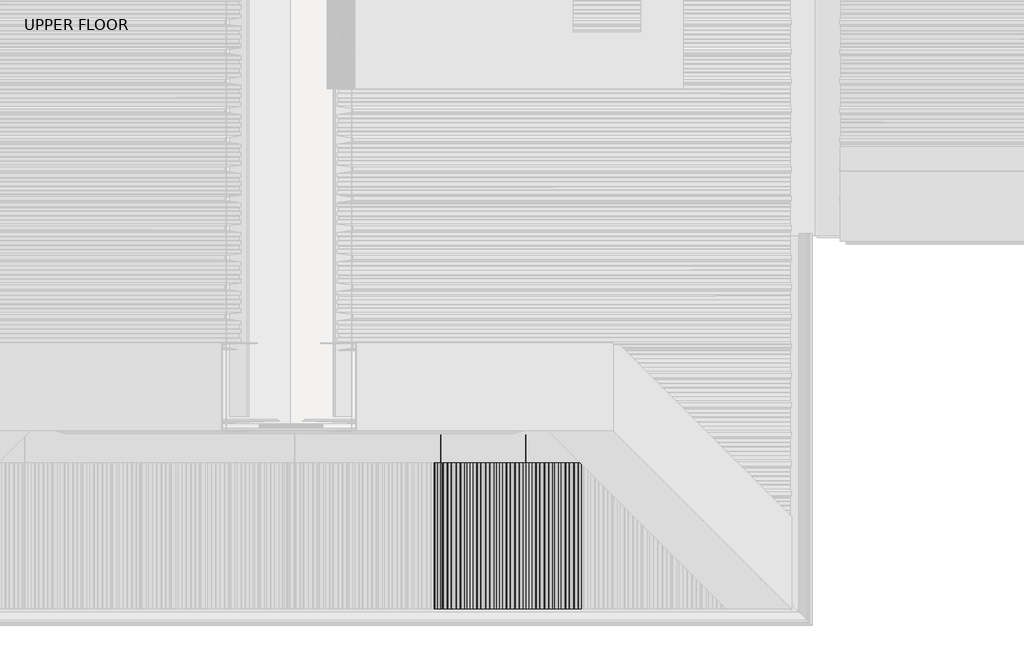
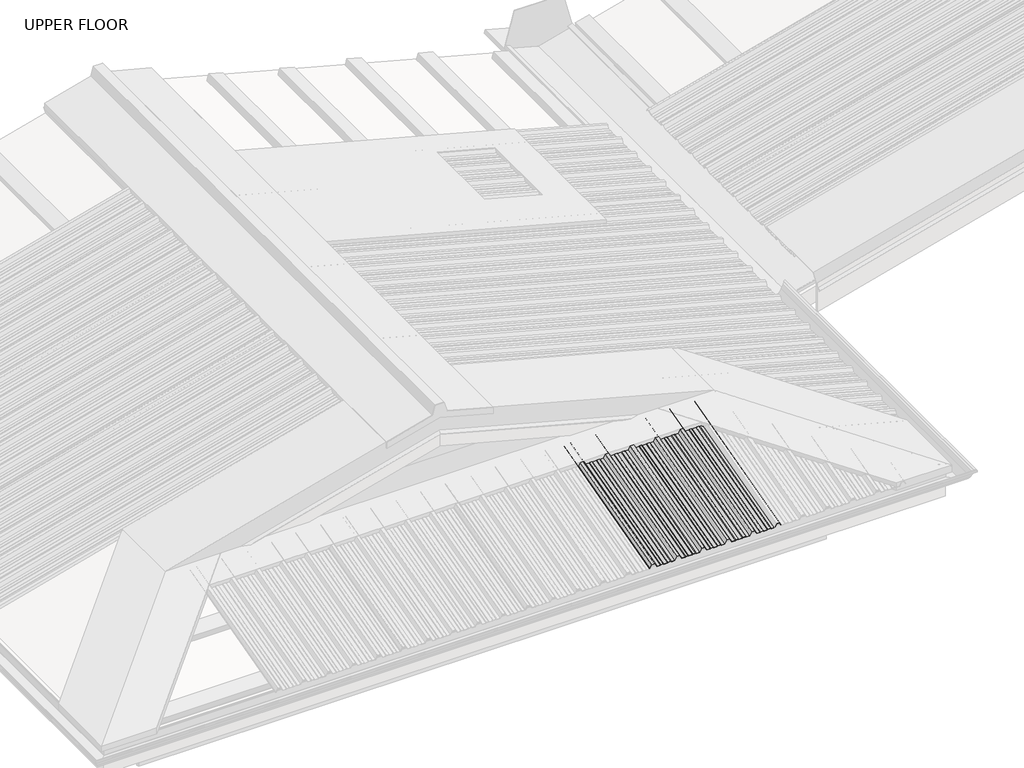
# One storey, part 9 of 21: 1 beam.
"""IFC4 building model written with IfcOpenShell, lengths in millimetres."""

from ifc_helpers import new_model, si_unit, frame, origin, place, context, project, spatial, circle_curve, ellipse_curve, element, save
from ifc_brep_helpers import plane_surface, cylinder_surface, advanced_brep

model = new_model("IFC4")

# Units and contexts
model_context = context("Model", 3, world=origin())
ifc_project = project(units=[si_unit("LENGTHUNIT", "METRE", prefix="MILLI")], contexts=[model_context])

# Site, building, storey
site = spatial("IfcSite", under=ifc_project)
building = spatial("IfcBuilding", under=site)
storey = spatial("IfcBuildingStorey", under=building, Name="UPPER FLOOR", Elevation=2700.0)

# Beam
placement = place(None, origin())
element("IfcBeam", 1, at=placement, inside=storey, context=model_context, shape_type="AdvancedBrep", body=[
    advanced_brep(
    [(3492.6640548, -3759.2956776, 3511.9124823), (3488.5374528, -3759.8133157, 3513.844334), (3470.9306177, -3759.8133157, 3513.844334), (3467.6664536, -3759.2956776, 3511.9124823), (3445.3794454, -3759.2956776, 3511.9124823), (3442.3379869, -3759.8133157, 3513.844334), (3426.6721831, -3759.8133157, 3513.844334), (3423.6285412, -3759.2956776, 3511.9124823), (3403.3061027, -3759.2956776, 3511.9124823), (3391.3207469, -3764.7308776, 3532.1969247), (3372.3195276, -3764.7308776, 3532.1969247), (3360.3061027, -3759.2956776, 3511.9124823), (3340.6640548, -3759.2956776, 3511.9124823), (3336.5374528, -3759.8133157, 3513.844334), (3318.9306177, -3759.8133157, 3513.844334), (3315.6664536, -3759.2956776, 3511.9124823), (3293.3794454, -3759.2956776, 3511.9124823), (3290.3379869, -3759.8133157, 3513.844334), (3274.6721831, -3759.8133157, 3513.844334), (3271.6285412, -3759.2956776, 3511.9124823), (3251.3061027, -3759.2956776, 3511.9124823), (3239.3207469, -3764.7308776, 3532.1969247), (3220.3195276, -3764.7308776, 3532.1969247), (3208.3061027, -3759.2956776, 3511.9124823), (3188.6640548, -3759.2956776, 3511.9124823), (3184.5374528, -3759.8133157, 3513.844334), (3166.9306177, -3759.8133157, 3513.844334), (3163.6664536, -3759.2956776, 3511.9124823), (3141.3794454, -3759.2956776, 3511.9124823), (3138.3379869, -3759.8133157, 3513.844334), (3122.6721831, -3759.8133157, 3513.844334), (3119.6285412, -3759.2956776, 3511.9124823), (3099.3061027, -3759.2956776, 3511.9124823), (3087.3207469, -3764.7308776, 3532.1969247), (3068.3195276, -3764.7308776, 3532.1969247), (3056.3061027, -3759.2956776, 3511.9124823), (3036.6640548, -3759.2956776, 3511.9124823), (3032.5374528, -3759.8133157, 3513.844334), (3014.9306177, -3759.8133157, 3513.844334), (3011.6664536, -3759.2956776, 3511.9124823), (2989.3794454, -3759.2956776, 3511.9124823), (2986.3379869, -3759.8133157, 3513.844334), (2970.6721831, -3759.8133157, 3513.844334), (2967.6285412, -3759.2956776, 3511.9124823), (2947.3061027, -3759.2956776, 3511.9124823), (2935.3207469, -3764.7308776, 3532.1969247), (2916.3195276, -3764.7308776, 3532.1969247), (2904.3061027, -3759.2956776, 3511.9124823), (2884.6640548, -3759.2956776, 3511.9124823), (2880.5374528, -3759.8133157, 3513.844334), (2862.9306177, -3759.8133157, 3513.844334), (2859.6664536, -3759.2956776, 3511.9124823), (2837.3794454, -3759.2956776, 3511.9124823), (2834.3379869, -3759.8133157, 3513.844334), (2818.6721831, -3759.8133157, 3513.844334), (2815.6285412, -3759.2956776, 3511.9124823), (2795.3061027, -3759.2956776, 3511.9124823), (2783.3207469, -3764.7308776, 3532.1969247), (2764.3195276, -3764.7308776, 3532.1969247), (2753.4502384, -3759.8133157, 3513.844334), (2750.0147087, -3759.8133157, 3513.844334), (2750.0147087, -3760.0721348, 3514.8102598), (2752.9508481, -3760.0721348, 3514.8102598), (2763.8201372, -3764.9896966, 3533.1628505), (2783.8201372, -3764.9896966, 3533.1628505), (2795.8054931, -3759.5544967, 3512.8784082), (2815.3293902, -3759.5544967, 3512.8784082), (2818.3730321, -3760.0721348, 3514.8102598), (2834.6373174, -3760.0721348, 3514.8102598), (2837.6787759, -3759.5544967, 3512.8784082), (2859.3844584, -3759.5544967, 3512.8784082), (2862.6486224, -3760.0721348, 3514.8102598), (2880.7670127, -3760.0721348, 3514.8102598), (2884.8936147, -3759.5544967, 3512.8784082), (2903.8067123, -3759.5544967, 3512.8784082), (2915.8201372, -3764.9896966, 3533.1628505), (2935.8201372, -3764.9896966, 3533.1628505), (2947.8054931, -3759.5544967, 3512.8784082), (2967.3293902, -3759.5544967, 3512.8784082), (2970.3730321, -3760.0721348, 3514.8102598), (2986.6373174, -3760.0721348, 3514.8102598), (2989.6787759, -3759.5544967, 3512.8784082), (3011.3844584, -3759.5544967, 3512.8784082), (3014.6486224, -3760.0721348, 3514.8102598), (3032.7670127, -3760.0721348, 3514.8102598), (3036.8936147, -3759.5544967, 3512.8784082), (3055.8067123, -3759.5544967, 3512.8784082), (3067.8201372, -3764.9896966, 3533.1628505), (3087.8201372, -3764.9896966, 3533.1628505), (3099.8054931, -3759.5544967, 3512.8784082), (3119.3293902, -3759.5544967, 3512.8784082), (3122.3730321, -3760.0721348, 3514.8102598), (3138.6373174, -3760.0721348, 3514.8102598), (3141.6787759, -3759.5544967, 3512.8784082), (3163.3844584, -3759.5544967, 3512.8784082), (3166.6486224, -3760.0721348, 3514.8102598), (3184.7670127, -3760.0721348, 3514.8102598), (3188.8936147, -3759.5544967, 3512.8784082), (3207.8067123, -3759.5544967, 3512.8784082), (3219.8201372, -3764.9896966, 3533.1628505), (3239.8201372, -3764.9896966, 3533.1628505), (3251.8054931, -3759.5544967, 3512.8784082), (3271.3293902, -3759.5544967, 3512.8784082), (3274.3730321, -3760.0721348, 3514.8102598), (3290.6373174, -3760.0721348, 3514.8102598), (3293.6787759, -3759.5544967, 3512.8784082), (3315.3844584, -3759.5544967, 3512.8784082), (3318.6486224, -3760.0721348, 3514.8102598), (3336.7670127, -3760.0721348, 3514.8102598), (3340.8936147, -3759.5544967, 3512.8784082), (3359.8067123, -3759.5544967, 3512.8784082), (3371.8201372, -3764.9896966, 3533.1628505), (3391.8201372, -3764.9896966, 3533.1628505), (3403.8054931, -3759.5544967, 3512.8784082), (3423.3293902, -3759.5544967, 3512.8784082), (3426.3730321, -3760.0721348, 3514.8102598), (3442.6373174, -3760.0721348, 3514.8102598), (3445.6787759, -3759.5544967, 3512.8784082), (3467.3844584, -3759.5544967, 3512.8784082), (3470.6486224, -3760.0721348, 3514.8102598), (3488.7670127, -3760.0721348, 3514.8102598), (3492.8936147, -3759.5544967, 3512.8784082), (3514.1108492, -3759.5544967, 3512.8784082), (3524.9801384, -3764.4720586, 3531.2309989), (3542.6587891, -3764.4720586, 3531.2309989), (3550.651034, -3760.8476815, 3517.7046396), (3549.8438422, -3760.7284463, 3517.2596477), (3542.1593987, -3764.2132395, 3530.265073), (3525.4795288, -3764.2132395, 3530.265073), (3514.6102396, -3759.2956776, 3511.9124823), (3488.5374528, -4660.4975954, 3272.5067086), (3470.9306177, -4660.4975954, 3272.5067086), (3467.6664536, -4660.4975954, 3270.4361563), (3445.3794454, -4660.4975954, 3270.4361563), (3442.3379869, -4660.4975954, 3272.5067086), (3426.6721831, -4660.4975954, 3272.5067086), (3423.6285412, -4660.4975954, 3270.4361563), (3403.3061027, -4660.4975954, 3270.4361563), (3391.3207469, -4660.4975954, 3292.176956), (3372.3195276, -4660.4975954, 3292.176956), (3360.3061027, -4660.4975954, 3270.4361563), (3340.6640548, -4660.4975954, 3270.4361563), (3336.5374528, -4660.4975954, 3272.5067086), (3318.9306177, -4660.4975954, 3272.5067086), (3315.6664536, -4660.4975954, 3270.4361563), (3293.3794454, -4660.4975954, 3270.4361563), (3290.3379869, -4660.4975954, 3272.5067086), (3274.6721831, -4660.4975954, 3272.5067086), (3271.6285412, -4660.4975954, 3270.4361563), (3251.3061027, -4660.4975954, 3270.4361563), (3239.3207469, -4660.4975954, 3292.176956), (3220.3195276, -4660.4975954, 3292.176956), (3208.3061027, -4660.4975954, 3270.4361563), (3188.6640548, -4660.4975954, 3270.4361563), (3184.5374528, -4660.4975954, 3272.5067086), (3166.9306177, -4660.4975954, 3272.5067086), (3163.6664536, -4660.4975954, 3270.4361563), (3141.3794454, -4660.4975954, 3270.4361563), (3138.3379869, -4660.4975954, 3272.5067086), (3122.6721831, -4660.4975954, 3272.5067086), (3119.6285412, -4660.4975954, 3270.4361563), (3099.3061027, -4660.4975954, 3270.4361563), (3087.3207469, -4660.4975954, 3292.176956), (3068.3195276, -4660.4975954, 3292.176956), (3056.3061027, -4660.4975954, 3270.4361563), (3036.6640548, -4660.4975954, 3270.4361563), (3032.5374528, -4660.4975954, 3272.5067086), (3014.9306177, -4660.4975954, 3272.5067086), (3011.6664536, -4660.4975954, 3270.4361563), (2989.3794454, -4660.4975954, 3270.4361563), (2986.3379869, -4660.4975954, 3272.5067086), (2970.6721831, -4660.4975954, 3272.5067086), (2967.6285412, -4660.4975954, 3270.4361563), (2947.3061027, -4660.4975954, 3270.4361563), (2935.3207469, -4660.4975954, 3292.176956), (2916.3195276, -4660.4975954, 3292.176956), (2904.3061027, -4660.4975954, 3270.4361563), (2884.6640548, -4660.4975954, 3270.4361563), (2880.5374528, -4660.4975954, 3272.5067086), (2862.9306177, -4660.4975954, 3272.5067086), (2859.6664536, -4660.4975954, 3270.4361563), (2837.3794454, -4660.4975954, 3270.4361563), (2834.3379869, -4660.4975954, 3272.5067086), (2818.6721831, -4660.4975954, 3272.5067086), (2815.6285412, -4660.4975954, 3270.4361563), (2795.3061027, -4660.4975954, 3270.4361563), (2783.3207469, -4660.4975954, 3292.176956), (2764.3195276, -4660.4975954, 3292.176956), (2753.4502384, -4660.4975954, 3272.5067086), (2750.0147087, -4660.4975954, 3272.5067086), (2750.0147087, -4660.4975954, 3273.5419848), (2752.9508481, -4660.4975954, 3273.5419848), (2763.8201372, -4660.4975954, 3293.2122322), (2783.8201372, -4660.4975954, 3293.2122322), (2795.8054931, -4660.4975954, 3271.4714324), (2815.3293902, -4660.4975954, 3271.4714324), (2818.3730321, -4660.4975954, 3273.5419848), (2834.6373174, -4660.4975954, 3273.5419848), (2837.6787759, -4660.4975954, 3271.4714324), (2859.3844584, -4660.4975954, 3271.4714324), (2862.6486224, -4660.4975954, 3273.5419848), (2880.7670127, -4660.4975954, 3273.5419848), (2884.8936147, -4660.4975954, 3271.4714324), (2903.8067123, -4660.4975954, 3271.4714324), (2915.8201372, -4660.4975954, 3293.2122322), (2935.8201372, -4660.4975954, 3293.2122322), (2947.8054931, -4660.4975954, 3271.4714324), (2967.3293902, -4660.4975954, 3271.4714324), (2970.3730321, -4660.4975954, 3273.5419848), (2986.6373174, -4660.4975954, 3273.5419848), (2989.6787759, -4660.4975954, 3271.4714324), (3011.3844584, -4660.4975954, 3271.4714324), (3014.6486224, -4660.4975954, 3273.5419848), (3032.7670127, -4660.4975954, 3273.5419848), (3036.8936147, -4660.4975954, 3271.4714324), (3055.8067123, -4660.4975954, 3271.4714324), (3067.8201372, -4660.4975954, 3293.2122322), (3087.8201372, -4660.4975954, 3293.2122322), (3099.8054931, -4660.4975954, 3271.4714324), (3119.3293902, -4660.4975954, 3271.4714324), (3122.3730321, -4660.4975954, 3273.5419848), (3138.6373174, -4660.4975954, 3273.5419848), (3141.6787759, -4660.4975954, 3271.4714324), (3163.3844584, -4660.4975954, 3271.4714324), (3166.6486224, -4660.4975954, 3273.5419848), (3184.7670127, -4660.4975954, 3273.5419848), (3188.8936147, -4660.4975954, 3271.4714324), (3207.8067123, -4660.4975954, 3271.4714324), (3219.8201372, -4660.4975954, 3293.2122322), (3239.8201372, -4660.4975954, 3293.2122322), (3251.8054931, -4660.4975954, 3271.4714324), (3271.3293902, -4660.4975954, 3271.4714324), (3274.3730321, -4660.4975954, 3273.5419848), (3290.6373174, -4660.4975954, 3273.5419848), (3293.6787759, -4660.4975954, 3271.4714324), (3315.3844584, -4660.4975954, 3271.4714324), (3318.6486224, -4660.4975954, 3273.5419848), (3336.7670127, -4660.4975954, 3273.5419848), (3340.8936147, -4660.4975954, 3271.4714324), (3359.8067123, -4660.4975954, 3271.4714324), (3371.8201372, -4660.4975954, 3293.2122322), (3391.8201372, -4660.4975954, 3293.2122322), (3403.8054931, -4660.4975954, 3271.4714324), (3423.3293902, -4660.4975954, 3271.4714324), (3492.6640548, -4660.4975954, 3270.4361563), (3426.3730321, -4660.4975954, 3273.5419848), (3442.6373174, -4660.4975954, 3273.5419848), (3445.6787759, -4660.4975954, 3271.4714324), (3467.3844584, -4660.4975954, 3271.4714324), (3470.6486224, -4660.4975954, 3273.5419848), (3488.7670127, -4660.4975954, 3273.5419848), (3492.8936147, -4660.4975954, 3271.4714324), (3514.1108492, -4660.4975954, 3271.4714324), (3524.9801384, -4660.4975954, 3291.1416799), (3542.6587891, -4660.4975954, 3291.1416799), (3550.651034, -4660.4975954, 3276.6441717), (3549.8438422, -4660.4975954, 3276.1672308), (3542.1593987, -4660.4975954, 3290.1064037), (3525.4795288, -4660.4975954, 3290.1064037), (3514.6102396, -4660.4975954, 3270.4361563)],
    [
        (0, 1),
        (1, 2),
        (2, 3),
        (3, 4),
        (4, 5),
        (5, 6),
        (6, 7),
        (7, 8),
        (8, 9),
        (9, 10),
        (10, 11),
        (11, 12),
        (12, 13),
        (13, 14),
        (14, 15),
        (15, 16),
        (16, 17),
        (17, 18),
        (18, 19),
        (19, 20),
        (20, 21),
        (21, 22),
        (22, 23),
        (23, 24),
        (24, 25),
        (25, 26),
        (26, 27),
        (27, 28),
        (28, 29),
        (29, 30),
        (30, 31),
        (31, 32),
        (32, 33),
        (33, 34),
        (34, 35),
        (35, 36),
        (36, 37),
        (37, 38),
        (38, 39),
        (39, 40),
        (40, 41),
        (41, 42),
        (42, 43),
        (43, 44),
        (44, 45),
        (45, 46),
        (46, 47),
        (47, 48),
        (48, 49),
        (49, 50),
        (50, 51),
        (51, 52),
        (52, 53),
        (53, 54),
        (54, 55),
        (55, 56),
        (56, 57),
        (57, 58),
        (58, 59),
        (59, 60),
        (60, 61, circle_curve(frame((2750.0147087, -3759.9427253, 3514.3272969), z_axis=(0.0, 0.9659258262890683, 0.2588190451025206), x_axis=(-1.0000000000000002, 0.0, 0.0)), 0.5)),
        (61, 62),
        (62, 63),
        (63, 64),
        (64, 65),
        (65, 66),
        (66, 67),
        (67, 68),
        (68, 69),
        (69, 70),
        (70, 71),
        (71, 72),
        (72, 73),
        (73, 74),
        (74, 75),
        (75, 76),
        (76, 77),
        (77, 78),
        (78, 79),
        (79, 80),
        (80, 81),
        (81, 82),
        (82, 83),
        (83, 84),
        (84, 85),
        (85, 86),
        (86, 87),
        (87, 88),
        (88, 89),
        (89, 90),
        (90, 91),
        (91, 92),
        (92, 93),
        (93, 94),
        (94, 95),
        (95, 96),
        (96, 97),
        (97, 98),
        (98, 99),
        (99, 100),
        (100, 101),
        (101, 102),
        (102, 103),
        (103, 104),
        (104, 105),
        (105, 106),
        (106, 107),
        (107, 108),
        (108, 109),
        (109, 110),
        (110, 111),
        (111, 112),
        (112, 113),
        (113, 114),
        (114, 115),
        (115, 116),
        (116, 117),
        (117, 118),
        (118, 119),
        (119, 120),
        (120, 121),
        (121, 122),
        (122, 123),
        (123, 124),
        (124, 125),
        (125, 126, circle_curve(frame((3550.2474381, -3760.7880639, 3517.4821437), z_axis=(0.0, 0.9659258262890683, 0.2588190451025206), x_axis=(-1.0000000000000002, 0.0, 0.0)), 0.4647024)),
        (126, 127),
        (127, 128),
        (128, 129),
        (129, 0),
        (1, 130),
        (130, 131),
        (131, 2),
        (131, 132),
        (132, 3),
        (132, 133),
        (133, 4),
        (133, 134),
        (134, 5),
        (134, 135),
        (135, 6),
        (135, 136),
        (136, 7),
        (136, 137),
        (137, 8),
        (137, 138),
        (138, 9),
        (138, 139),
        (139, 10),
        (139, 140),
        (140, 11),
        (140, 141),
        (141, 12),
        (141, 142),
        (142, 13),
        (142, 143),
        (143, 14),
        (143, 144),
        (144, 15),
        (144, 145),
        (145, 16),
        (145, 146),
        (146, 17),
        (146, 147),
        (147, 18),
        (147, 148),
        (148, 19),
        (148, 149),
        (149, 20),
        (149, 150),
        (150, 21),
        (150, 151),
        (151, 22),
        (151, 152),
        (152, 23),
        (152, 153),
        (153, 24),
        (153, 154),
        (154, 25),
        (154, 155),
        (155, 26),
        (155, 156),
        (156, 27),
        (156, 157),
        (157, 28),
        (157, 158),
        (158, 29),
        (158, 159),
        (159, 30),
        (159, 160),
        (160, 31),
        (160, 161),
        (161, 32),
        (161, 162),
        (162, 33),
        (162, 163),
        (163, 34),
        (163, 164),
        (164, 35),
        (164, 165),
        (165, 36),
        (165, 166),
        (166, 37),
        (166, 167),
        (167, 38),
        (167, 168),
        (168, 39),
        (168, 169),
        (169, 40),
        (169, 170),
        (170, 41),
        (170, 171),
        (171, 42),
        (171, 172),
        (172, 43),
        (172, 173),
        (173, 44),
        (173, 174),
        (174, 45),
        (174, 175),
        (175, 46),
        (175, 176),
        (176, 47),
        (176, 177),
        (177, 48),
        (177, 178),
        (178, 49),
        (178, 179),
        (179, 50),
        (179, 180),
        (180, 51),
        (180, 181),
        (181, 52),
        (181, 182),
        (182, 53),
        (182, 183),
        (183, 54),
        (183, 184),
        (184, 55),
        (184, 185),
        (185, 56),
        (185, 186),
        (186, 57),
        (186, 187),
        (187, 58),
        (187, 188),
        (188, 59),
        (188, 189),
        (189, 60),
        (189, 190, ellipse_curve(frame((2750.0147087, -4660.4975954, 3273.0243467), z_axis=(0.0, 1.0, 0.0), x_axis=(0.0, 0.0, 1.0)), 0.5176381, 0.5)),
        (190, 61),
        (190, 191),
        (191, 62),
        (191, 192),
        (192, 63),
        (192, 193),
        (193, 64),
        (193, 194),
        (194, 65),
        (194, 195),
        (195, 66),
        (195, 196),
        (196, 67),
        (196, 197),
        (197, 68),
        (197, 198),
        (198, 69),
        (198, 199),
        (199, 70),
        (199, 200),
        (200, 71),
        (200, 201),
        (201, 72),
        (201, 202),
        (202, 73),
        (202, 203),
        (203, 74),
        (203, 204),
        (204, 75),
        (204, 205),
        (205, 76),
        (205, 206),
        (206, 77),
        (206, 207),
        (207, 78),
        (207, 208),
        (208, 79),
        (208, 209),
        (209, 80),
        (209, 210),
        (210, 81),
        (210, 211),
        (211, 82),
        (211, 212),
        (212, 83),
        (212, 213),
        (213, 84),
        (213, 214),
        (214, 85),
        (214, 215),
        (215, 86),
        (215, 216),
        (216, 87),
        (216, 217),
        (217, 88),
        (217, 218),
        (218, 89),
        (218, 219),
        (219, 90),
        (219, 220),
        (220, 91),
        (220, 221),
        (221, 92),
        (221, 222),
        (222, 93),
        (222, 223),
        (223, 94),
        (223, 224),
        (224, 95),
        (224, 225),
        (225, 96),
        (225, 226),
        (226, 97),
        (226, 227),
        (227, 98),
        (227, 228),
        (228, 99),
        (228, 229),
        (229, 100),
        (229, 230),
        (230, 101),
        (230, 231),
        (231, 102),
        (231, 232),
        (232, 103),
        (232, 233),
        (233, 104),
        (233, 234),
        (234, 105),
        (234, 235),
        (235, 106),
        (235, 236),
        (236, 107),
        (236, 237),
        (237, 108),
        (237, 238),
        (238, 109),
        (238, 239),
        (239, 110),
        (239, 240),
        (240, 111),
        (240, 241),
        (241, 112),
        (241, 242),
        (242, 113),
        (242, 243),
        (243, 114),
        (0, 244),
        (244, 130),
        (243, 245),
        (245, 115),
        (245, 246),
        (246, 116),
        (246, 247),
        (247, 117),
        (247, 248),
        (248, 118),
        (248, 249),
        (249, 119),
        (249, 250),
        (250, 120),
        (250, 251),
        (251, 121),
        (251, 252),
        (252, 122),
        (252, 253),
        (253, 123),
        (253, 254),
        (254, 124),
        (254, 255),
        (255, 125),
        (255, 256, ellipse_curve(frame((3550.2474381, -4660.4975954, 3276.4057013), z_axis=(0.0, 1.0, 0.0), x_axis=(0.0, 0.0, 1.0)), 0.4810953, 0.4647024)),
        (256, 126),
        (256, 257),
        (257, 127),
        (257, 258),
        (258, 128),
        (258, 259),
        (259, 129),
        (259, 244),
    ],
    [
        plane_surface(frame((3492.6640548, -3759.2956776, 3511.9124823), z_axis=(0.0, 0.9659258262890684, 0.2588190451025203), x_axis=(-0.8998805887467904, -0.11288039666962545, 0.42127537554957795))),
        plane_surface(frame((3488.5374528, -3759.8133157, 3513.844334), z_axis=(0.0, 0.2588190451025206, -0.9659258262890683), x_axis=(0.0, -0.9659258262890683, -0.2588190451025206))),
        plane_surface(frame((3470.9306177, -3759.8133157, 3513.844334), z_axis=(0.5224449573492955, 0.2206880149246298, -0.8236188843202413), x_axis=(0.0, -0.9659258262890683, -0.2588190451025206))),
        plane_surface(frame((3467.6664536, -3759.2956776, 3511.9124823), z_axis=(0.0, 0.2588190451025206, -0.9659258262890683), x_axis=(0.0, -0.9659258262890683, -0.2588190451025206))),
        plane_surface(frame((3445.3794454, -3759.2956776, 3511.9124823), z_axis=(-0.5494325148836754, 0.2162531724200961, -0.8070678267697482), x_axis=(0.0, -0.9659258262890683, -0.2588190451025206))),
        plane_surface(frame((3442.3379869, -3759.8133157, 3513.844334), z_axis=(0.0, 0.2588190451025206, -0.9659258262890683), x_axis=(0.0, -0.9659258262890683, -0.2588190451025206))),
        plane_surface(frame((3426.6721831, -3759.8133157, 3513.844334), z_axis=(0.5491572662555969, 0.21630000128988544, -0.8072425944910705), x_axis=(0.0, -0.9659258262890683, -0.2588190451025206))),
        plane_surface(frame((3423.6285412, -3759.2956776, 3511.9124823), z_axis=(0.0, 0.2588190451025206, -0.9659258262890683), x_axis=(0.0, -0.9659258262890683, -0.2588190451025206))),
        plane_surface(frame((3403.3061027, -3759.2956776, 3511.9124823), z_axis=(-0.8685039140295309, 0.12829202185299526, -0.47879234376110924), x_axis=(0.0, -0.9659258262890683, -0.2588190451025206))),
        plane_surface(frame((3391.3207469, -3764.7308776, 3532.1969247), z_axis=(0.0, 0.2588190451025206, -0.9659258262890683), x_axis=(0.0, -0.9659258262890683, -0.2588190451025206))),
        plane_surface(frame((3372.3195276, -3764.7308776, 3532.1969247), z_axis=(0.8680040081860072, 0.12851845745027873, -0.47963741291482553), x_axis=(0.0, -0.9659258262890683, -0.2588190451025206))),
        plane_surface(frame((3360.3061027, -3759.2956776, 3511.9124823), z_axis=(0.0, 0.2588190451025206, -0.9659258262890683), x_axis=(0.0, -0.9659258262890683, -0.2588190451025206))),
        plane_surface(frame((3340.6640548, -3759.2956776, 3511.9124823), z_axis=(-0.43613636169978987, 0.23290623468573907, -0.8692179012467366), x_axis=(0.0, -0.9659258262890683, -0.2588190451025206))),
        plane_surface(frame((3336.5374528, -3759.8133157, 3513.844334), z_axis=(0.0, 0.2588190451025206, -0.9659258262890683), x_axis=(0.0, -0.9659258262890683, -0.2588190451025206))),
        plane_surface(frame((3318.9306177, -3759.8133157, 3513.844334), z_axis=(0.5224449573492995, 0.22068801492462917, -0.823618884320239), x_axis=(0.0, -0.9659258262890683, -0.2588190451025206))),
        plane_surface(frame((3315.6664536, -3759.2956776, 3511.9124823), z_axis=(0.0, 0.2588190451025206, -0.9659258262890683), x_axis=(0.0, -0.9659258262890683, -0.2588190451025206))),
        plane_surface(frame((3293.3794454, -3759.2956776, 3511.9124823), z_axis=(-0.5494325148836772, 0.21625317242009579, -0.807067826769747), x_axis=(0.0, -0.9659258262890683, -0.2588190451025206))),
        plane_surface(frame((3290.3379869, -3759.8133157, 3513.844334), z_axis=(0.0, 0.2588190451025206, -0.9659258262890683), x_axis=(0.0, -0.9659258262890683, -0.2588190451025206))),
        plane_surface(frame((3274.6721831, -3759.8133157, 3513.844334), z_axis=(0.5491572662555921, 0.21630000128988627, -0.8072425944910736), x_axis=(0.0, -0.9659258262890683, -0.2588190451025206))),
        plane_surface(frame((3271.6285412, -3759.2956776, 3511.9124823), z_axis=(0.0, 0.2588190451025206, -0.9659258262890683), x_axis=(0.0, -0.9659258262890683, -0.2588190451025206))),
        plane_surface(frame((3251.3061027, -3759.2956776, 3511.9124823), z_axis=(-0.8685039140295301, 0.12829202185299549, -0.4787923437611103), x_axis=(0.0, -0.9659258262890683, -0.2588190451025206))),
        plane_surface(frame((3239.3207469, -3764.7308776, 3532.1969247), z_axis=(0.0, 0.2588190451025206, -0.9659258262890683), x_axis=(0.0, -0.9659258262890683, -0.2588190451025206))),
        plane_surface(frame((3220.3195276, -3764.7308776, 3532.1969247), z_axis=(0.8680040081860078, 0.12851845745027846, -0.4796374129148245), x_axis=(0.0, -0.9659258262890683, -0.2588190451025206))),
        plane_surface(frame((3208.3061027, -3759.2956776, 3511.9124823), z_axis=(0.0, 0.2588190451025206, -0.9659258262890683), x_axis=(0.0, -0.9659258262890683, -0.2588190451025206))),
        plane_surface(frame((3188.6640548, -3759.2956776, 3511.9124823), z_axis=(-0.436136361699787, 0.23290623468573945, -0.8692179012467379), x_axis=(0.0, -0.9659258262890683, -0.2588190451025206))),
        plane_surface(frame((3184.5374528, -3759.8133157, 3513.844334), z_axis=(0.0, 0.2588190451025206, -0.9659258262890683), x_axis=(0.0, -0.9659258262890683, -0.2588190451025206))),
        plane_surface(frame((3166.9306177, -3759.8133157, 3513.844334), z_axis=(0.522444957349302, 0.2206880149246288, -0.8236188843202376), x_axis=(0.0, -0.9659258262890683, -0.2588190451025206))),
        plane_surface(frame((3163.6664536, -3759.2956776, 3511.9124823), z_axis=(0.0, 0.2588190451025206, -0.9659258262890683), x_axis=(0.0, -0.9659258262890683, -0.2588190451025206))),
        plane_surface(frame((3141.3794454, -3759.2956776, 3511.9124823), z_axis=(-0.5494325148836601, 0.21625317242009867, -0.8070678267697579), x_axis=(0.0, -0.9659258262890683, -0.2588190451025206))),
        plane_surface(frame((3138.3379869, -3759.8133157, 3513.844334), z_axis=(0.0, 0.2588190451025206, -0.9659258262890683), x_axis=(0.0, -0.9659258262890683, -0.2588190451025206))),
        plane_surface(frame((3122.6721831, -3759.8133157, 3513.844334), z_axis=(0.5491572662555921, 0.21630000128988627, -0.8072425944910736), x_axis=(0.0, -0.9659258262890683, -0.2588190451025206))),
        plane_surface(frame((3119.6285412, -3759.2956776, 3511.9124823), z_axis=(0.0, 0.2588190451025206, -0.9659258262890683), x_axis=(0.0, -0.9659258262890683, -0.2588190451025206))),
        plane_surface(frame((3099.3061027, -3759.2956776, 3511.9124823), z_axis=(-0.8685039140295309, 0.12829202185299524, -0.47879234376110924), x_axis=(0.0, -0.9659258262890683, -0.2588190451025206))),
        plane_surface(frame((3087.3207469, -3764.7308776, 3532.1969247), z_axis=(0.0, 0.2588190451025206, -0.9659258262890683), x_axis=(0.0, -0.9659258262890683, -0.2588190451025206))),
        plane_surface(frame((3068.3195276, -3764.7308776, 3532.1969247), z_axis=(0.8680040081860078, 0.12851845745027846, -0.4796374129148245), x_axis=(0.0, -0.9659258262890683, -0.2588190451025206))),
        plane_surface(frame((3056.3061027, -3759.2956776, 3511.9124823), z_axis=(0.0, 0.2588190451025206, -0.9659258262890683), x_axis=(0.0, -0.9659258262890683, -0.2588190451025206))),
        plane_surface(frame((3036.6640548, -3759.2956776, 3511.9124823), z_axis=(-0.43613636169978987, 0.23290623468573907, -0.8692179012467366), x_axis=(0.0, -0.9659258262890683, -0.2588190451025206))),
        plane_surface(frame((3032.5374528, -3759.8133157, 3513.844334), z_axis=(0.0, 0.2588190451025206, -0.9659258262890683), x_axis=(0.0, -0.9659258262890683, -0.2588190451025206))),
        plane_surface(frame((3014.9306177, -3759.8133157, 3513.844334), z_axis=(0.5224449573492986, 0.22068801492462928, -0.8236188843202394), x_axis=(0.0, -0.9659258262890683, -0.2588190451025206))),
        plane_surface(frame((3011.6664536, -3759.2956776, 3511.9124823), z_axis=(0.0, 0.2588190451025206, -0.9659258262890683), x_axis=(0.0, -0.9659258262890683, -0.2588190451025206))),
        plane_surface(frame((2989.3794454, -3759.2956776, 3511.9124823), z_axis=(-0.5494325148836686, 0.21625317242009726, -0.8070678267697524), x_axis=(0.0, -0.9659258262890683, -0.2588190451025206))),
        plane_surface(frame((2986.3379869, -3759.8133157, 3513.844334), z_axis=(0.0, 0.2588190451025206, -0.9659258262890683), x_axis=(0.0, -0.9659258262890683, -0.2588190451025206))),
        plane_surface(frame((2970.6721831, -3759.8133157, 3513.844334), z_axis=(0.5491572662555904, 0.21630000128988655, -0.8072425944910747), x_axis=(0.0, -0.9659258262890683, -0.2588190451025206))),
        plane_surface(frame((2967.6285412, -3759.2956776, 3511.9124823), z_axis=(0.0, 0.2588190451025206, -0.9659258262890683), x_axis=(0.0, -0.9659258262890683, -0.2588190451025206))),
        plane_surface(frame((2947.3061027, -3759.2956776, 3511.9124823), z_axis=(-0.8685039140295304, 0.12829202185299524, -0.4787923437611093), x_axis=(0.0, -0.9659258262890683, -0.2588190451025206))),
        plane_surface(frame((2935.3207469, -3764.7308776, 3532.1969247), z_axis=(0.0, 0.2588190451025206, -0.9659258262890683), x_axis=(0.0, -0.9659258262890683, -0.2588190451025206))),
        plane_surface(frame((2916.3195276, -3764.7308776, 3532.1969247), z_axis=(0.8680040081860078, 0.12851845745027823, -0.47963741291482453), x_axis=(0.0, -0.9659258262890683, -0.2588190451025205))),
        plane_surface(frame((2904.3061027, -3759.2956776, 3511.9124823), z_axis=(0.0, 0.2588190451025206, -0.9659258262890683), x_axis=(0.0, -0.9659258262890683, -0.2588190451025206))),
        plane_surface(frame((2884.6640548, -3759.2956776, 3511.9124823), z_axis=(-0.4361363616997928, 0.23290623468573884, -0.8692179012467353), x_axis=(0.0, -0.9659258262890683, -0.25881904510252063))),
        plane_surface(frame((2880.5374528, -3759.8133157, 3513.844334), z_axis=(0.0, 0.2588190451025206, -0.9659258262890683), x_axis=(0.0, -0.9659258262890683, -0.2588190451025206))),
        plane_surface(frame((2862.9306177, -3759.8133157, 3513.844334), z_axis=(0.5224449573492986, 0.22068801492462925, -0.8236188843202394), x_axis=(0.0, -0.9659258262890683, -0.2588190451025206))),
        plane_surface(frame((2859.6664536, -3759.2956776, 3511.9124823), z_axis=(0.0, 0.2588190451025206, -0.9659258262890683), x_axis=(0.0, -0.9659258262890683, -0.2588190451025206))),
        plane_surface(frame((2837.3794454, -3759.2956776, 3511.9124823), z_axis=(-0.5494325148836804, 0.21625317242009529, -0.807067826769745), x_axis=(0.0, -0.9659258262890683, -0.2588190451025206))),
        plane_surface(frame((2834.3379869, -3759.8133157, 3513.844334), z_axis=(0.0, 0.2588190451025206, -0.9659258262890683), x_axis=(0.0, -0.9659258262890683, -0.2588190451025206))),
        plane_surface(frame((2818.6721831, -3759.8133157, 3513.844334), z_axis=(0.5491572662555952, 0.21630000128988566, -0.8072425944910716), x_axis=(0.0, -0.9659258262890683, -0.2588190451025206))),
        plane_surface(frame((2815.6285412, -3759.2956776, 3511.9124823), z_axis=(0.0, 0.2588190451025206, -0.9659258262890683), x_axis=(0.0, -0.9659258262890683, -0.2588190451025206))),
        plane_surface(frame((2795.3061027, -3759.2956776, 3511.9124823), z_axis=(-0.868503914029533, 0.12829202185299426, -0.47879234376110547), x_axis=(0.0, -0.9659258262890683, -0.2588190451025206))),
        plane_surface(frame((2783.3207469, -3764.7308776, 3532.1969247), z_axis=(0.0, 0.2588190451025206, -0.9659258262890683), x_axis=(0.0, -0.9659258262890683, -0.2588190451025206))),
        plane_surface(frame((2764.3195276, -3764.7308776, 3532.1969247), z_axis=(0.8680040081860114, 0.12851845745027676, -0.4796374129148184), x_axis=(0.0, -0.9659258262890683, -0.2588190451025206))),
        plane_surface(frame((2753.4502384, -3759.8133157, 3513.844334), z_axis=(0.0, 0.2588190451025206, -0.9659258262890683), x_axis=(0.0, -0.9659258262890683, -0.2588190451025206))),
        cylinder_surface(frame((2750.0147087, -4672.7430827, 3269.7431783), z_axis=(0.0, 0.9659258262890683, 0.2588190451025206), x_axis=(-1.0000000000000002, 0.0, 0.0)), 0.5),
        plane_surface(frame((2750.0147087, -3760.0721348, 3514.8102598), z_axis=(0.0, -0.2588190451025206, 0.9659258262890683), x_axis=(0.0, -0.9659258262890683, -0.2588190451025206))),
        plane_surface(frame((2752.9508481, -3760.0721348, 3514.8102598), z_axis=(-0.8680040081860114, -0.12851845745027676, 0.4796374129148184), x_axis=(0.0, -0.9659258262890683, -0.2588190451025206))),
        plane_surface(frame((2763.8201372, -3764.9896966, 3533.1628505), z_axis=(0.0, -0.2588190451025206, 0.9659258262890683), x_axis=(0.0, -0.9659258262890683, -0.2588190451025206))),
        plane_surface(frame((2783.8201372, -3764.9896966, 3533.1628505), z_axis=(0.8685039140295302, -0.1282920218529955, 0.4787923437611101), x_axis=(0.0, -0.9659258262890683, -0.2588190451025206))),
        plane_surface(frame((2795.8054931, -3759.5544967, 3512.8784082), z_axis=(0.0, -0.2588190451025206, 0.9659258262890683), x_axis=(0.0, -0.9659258262890683, -0.2588190451025206))),
        plane_surface(frame((2815.3293902, -3759.5544967, 3512.8784082), z_axis=(-0.549157266255592, -0.21630000128988622, 0.8072425944910736), x_axis=(0.0, -0.9659258262890683, -0.2588190451025206))),
        plane_surface(frame((2818.3730321, -3760.0721348, 3514.8102598), z_axis=(0.0, -0.2588190451025206, 0.9659258262890683), x_axis=(0.0, -0.9659258262890683, -0.2588190451025206))),
        plane_surface(frame((2834.6373174, -3760.0721348, 3514.8102598), z_axis=(0.5494325148836804, -0.21625317242009529, 0.807067826769745), x_axis=(0.0, -0.9659258262890683, -0.2588190451025206))),
        plane_surface(frame((2837.6787759, -3759.5544967, 3512.8784082), z_axis=(0.0, -0.2588190451025206, 0.9659258262890683), x_axis=(0.0, -0.9659258262890683, -0.2588190451025206))),
        plane_surface(frame((2859.3844584, -3759.5544967, 3512.8784082), z_axis=(-0.5224449573493112, -0.22068801492462728, 0.823618884320232), x_axis=(0.0, -0.9659258262890683, -0.2588190451025206))),
        plane_surface(frame((2862.6486224, -3760.0721348, 3514.8102598), z_axis=(0.0, -0.2588190451025206, 0.9659258262890683), x_axis=(0.0, -0.9659258262890683, -0.2588190451025206))),
        plane_surface(frame((2880.7670127, -3760.0721348, 3514.8102598), z_axis=(0.43613636169978987, -0.2329062346857391, 0.8692179012467366), x_axis=(0.0, -0.9659258262890683, -0.2588190451025206))),
        plane_surface(frame((2884.8936147, -3759.5544967, 3512.8784082), z_axis=(0.0, -0.2588190451025206, 0.9659258262890683), x_axis=(0.0, -0.9659258262890683, -0.2588190451025206))),
        plane_surface(frame((2903.8067123, -3759.5544967, 3512.8784082), z_axis=(-0.8680040081860076, -0.12851845745027848, 0.47963741291482476), x_axis=(0.0, -0.9659258262890683, -0.2588190451025206))),
        plane_surface(frame((2915.8201372, -3764.9896966, 3533.1628505), z_axis=(0.0, -0.2588190451025205, 0.9659258262890683), x_axis=(0.0, -0.9659258262890683, -0.2588190451025205))),
        plane_surface(frame((2935.8201372, -3764.9896966, 3533.1628505), z_axis=(0.8685039140295304, -0.1282920218529953, 0.47879234376110946), x_axis=(0.0, -0.9659258262890683, -0.2588190451025206))),
        plane_surface(frame((2947.8054931, -3759.5544967, 3512.8784082), z_axis=(0.0, -0.2588190451025206, 0.9659258262890683), x_axis=(0.0, -0.9659258262890683, -0.2588190451025206))),
        plane_surface(frame((2967.3293902, -3759.5544967, 3512.8784082), z_axis=(-0.5491572662555889, -0.21630000128988683, 0.8072425944910757), x_axis=(0.0, -0.9659258262890683, -0.2588190451025206))),
        plane_surface(frame((2970.3730321, -3760.0721348, 3514.8102598), z_axis=(0.0, -0.2588190451025206, 0.9659258262890683), x_axis=(0.0, -0.9659258262890683, -0.2588190451025206))),
        plane_surface(frame((2986.6373174, -3760.0721348, 3514.8102598), z_axis=(0.5494325148836653, -0.21625317242009776, 0.8070678267697544), x_axis=(0.0, -0.9659258262890683, -0.2588190451025206))),
        plane_surface(frame((2989.6787759, -3759.5544967, 3512.8784082), z_axis=(0.0, -0.2588190451025206, 0.9659258262890683), x_axis=(0.0, -0.9659258262890683, -0.2588190451025206))),
        plane_surface(frame((3011.3844584, -3759.5544967, 3512.8784082), z_axis=(-0.5224449573493032, -0.22068801492462856, 0.8236188843202368), x_axis=(0.0, -0.9659258262890683, -0.2588190451025206))),
        plane_surface(frame((3014.6486224, -3760.0721348, 3514.8102598), z_axis=(0.0, -0.2588190451025206, 0.9659258262890683), x_axis=(0.0, -0.9659258262890683, -0.2588190451025206))),
        plane_surface(frame((3032.7670127, -3760.0721348, 3514.8102598), z_axis=(0.436136361699781, -0.23290623468574018, 0.8692179012467407), x_axis=(0.0, -0.9659258262890683, -0.2588190451025206))),
        plane_surface(frame((3036.8936147, -3759.5544967, 3512.8784082), z_axis=(0.0, -0.2588190451025206, 0.9659258262890683), x_axis=(0.0, -0.9659258262890683, -0.2588190451025206))),
        plane_surface(frame((3055.8067123, -3759.5544967, 3512.8784082), z_axis=(-0.8680040081860066, -0.128518457450279, 0.4796374129148265), x_axis=(0.0, -0.9659258262890683, -0.2588190451025206))),
        plane_surface(frame((3067.8201372, -3764.9896966, 3533.1628505), z_axis=(0.0, -0.2588190451025206, 0.9659258262890683), x_axis=(0.0, -0.9659258262890683, -0.2588190451025206))),
        plane_surface(frame((3087.8201372, -3764.9896966, 3533.1628505), z_axis=(0.8685039140295309, -0.12829202185299524, 0.47879234376110924), x_axis=(0.0, -0.9659258262890683, -0.2588190451025206))),
        plane_surface(frame((3099.8054931, -3759.5544967, 3512.8784082), z_axis=(0.0, -0.2588190451025206, 0.9659258262890683), x_axis=(0.0, -0.9659258262890683, -0.2588190451025206))),
        plane_surface(frame((3119.3293902, -3759.5544967, 3512.8784082), z_axis=(-0.5491572662555921, -0.21630000128988627, 0.8072425944910736), x_axis=(0.0, -0.9659258262890683, -0.2588190451025206))),
        plane_surface(frame((3122.3730321, -3760.0721348, 3514.8102598), z_axis=(0.0, -0.2588190451025206, 0.9659258262890683), x_axis=(0.0, -0.9659258262890683, -0.2588190451025206))),
        plane_surface(frame((3138.6373174, -3760.0721348, 3514.8102598), z_axis=(0.5494325148836601, -0.21625317242009867, 0.8070678267697579), x_axis=(0.0, -0.9659258262890683, -0.2588190451025206))),
        plane_surface(frame((3141.6787759, -3759.5544967, 3512.8784082), z_axis=(0.0, -0.2588190451025206, 0.9659258262890683), x_axis=(0.0, -0.9659258262890683, -0.2588190451025206))),
        plane_surface(frame((3163.3844584, -3759.5544967, 3512.8784082), z_axis=(-0.5224449573492955, -0.2206880149246298, 0.8236188843202413), x_axis=(0.0, -0.9659258262890683, -0.2588190451025206))),
        plane_surface(frame((3166.6486224, -3760.0721348, 3514.8102598), z_axis=(0.0, -0.2588190451025206, 0.9659258262890683), x_axis=(0.0, -0.9659258262890683, -0.2588190451025206))),
        plane_surface(frame((3184.7670127, -3760.0721348, 3514.8102598), z_axis=(0.436136361699784, -0.2329062346857398, 0.8692179012467393), x_axis=(0.0, -0.9659258262890683, -0.2588190451025206))),
        plane_surface(frame((3188.8936147, -3759.5544967, 3512.8784082), z_axis=(0.0, -0.2588190451025206, 0.9659258262890683), x_axis=(0.0, -0.9659258262890683, -0.2588190451025206))),
        plane_surface(frame((3207.8067123, -3759.5544967, 3512.8784082), z_axis=(-0.8680040081860054, -0.12851845745027948, 0.4796374129148286), x_axis=(0.0, -0.9659258262890683, -0.2588190451025206))),
        plane_surface(frame((3219.8201372, -3764.9896966, 3533.1628505), z_axis=(0.0, -0.2588190451025206, 0.9659258262890683), x_axis=(0.0, -0.9659258262890683, -0.2588190451025206))),
        plane_surface(frame((3239.8201372, -3764.9896966, 3533.1628505), z_axis=(0.8685039140295304, -0.1282920218529953, 0.47879234376110946), x_axis=(0.0, -0.9659258262890683, -0.2588190451025206))),
        plane_surface(frame((3251.8054931, -3759.5544967, 3512.8784082), z_axis=(0.0, -0.2588190451025206, 0.9659258262890683), x_axis=(0.0, -0.9659258262890683, -0.2588190451025206))),
        plane_surface(frame((3271.3293902, -3759.5544967, 3512.8784082), z_axis=(-0.5491572662555889, -0.21630000128988683, 0.8072425944910757), x_axis=(0.0, -0.9659258262890683, -0.2588190451025206))),
        plane_surface(frame((3274.3730321, -3760.0721348, 3514.8102598), z_axis=(0.0, -0.2588190451025206, 0.9659258262890683), x_axis=(0.0, -0.9659258262890683, -0.2588190451025206))),
        plane_surface(frame((3290.6373174, -3760.0721348, 3514.8102598), z_axis=(0.5494325148836695, -0.21625317242009703, 0.8070678267697518), x_axis=(0.0, -0.9659258262890683, -0.2588190451025206))),
        plane_surface(frame((3293.6787759, -3759.5544967, 3512.8784082), z_axis=(0.0, -0.2588190451025206, 0.9659258262890683), x_axis=(0.0, -0.9659258262890683, -0.2588190451025206))),
        plane_surface(frame((3315.3844584, -3759.5544967, 3512.8784082), z_axis=(-0.5224449573493073, -0.22068801492462795, 0.8236188843202343), x_axis=(0.0, -0.9659258262890683, -0.2588190451025206))),
        plane_surface(frame((3318.6486224, -3760.0721348, 3514.8102598), z_axis=(0.0, -0.2588190451025206, 0.9659258262890683), x_axis=(0.0, -0.9659258262890683, -0.2588190451025206))),
        plane_surface(frame((3336.7670127, -3760.0721348, 3514.8102598), z_axis=(0.4361363616997869, -0.23290623468573943, 0.8692179012467379), x_axis=(0.0, -0.9659258262890683, -0.2588190451025206))),
        plane_surface(frame((3340.8936147, -3759.5544967, 3512.8784082), z_axis=(0.0, -0.2588190451025206, 0.9659258262890683), x_axis=(0.0, -0.9659258262890683, -0.2588190451025206))),
        plane_surface(frame((3359.8067123, -3759.5544967, 3512.8784082), z_axis=(-0.868004008186007, -0.1285184574502788, 0.47963741291482576), x_axis=(0.0, -0.9659258262890683, -0.2588190451025206))),
        plane_surface(frame((3371.8201372, -3764.9896966, 3533.1628505), z_axis=(0.0, -0.2588190451025206, 0.9659258262890683), x_axis=(0.0, -0.9659258262890683, -0.2588190451025206))),
        plane_surface(frame((3391.8201372, -3764.9896966, 3533.1628505), z_axis=(0.8685039140295304, -0.1282920218529953, 0.47879234376110946), x_axis=(0.0, -0.9659258262890683, -0.2588190451025206))),
        plane_surface(frame((3403.8054931, -3759.5544967, 3512.8784082), z_axis=(0.0, -0.2588190451025206, 0.9659258262890683), x_axis=(0.0, -0.9659258262890683, -0.2588190451025206))),
        plane_surface(frame((3492.6640548, -3759.2956776, 3511.9124823), z_axis=(-0.43613636169978987, 0.23290623468573907, -0.8692179012467366), x_axis=(0.0, -0.9659258262890683, -0.2588190451025206))),
        plane_surface(frame((3423.3293902, -3759.5544967, 3512.8784082), z_axis=(-0.5491572662555937, -0.21630000128988602, 0.8072425944910727), x_axis=(0.0, -0.9659258262890683, -0.2588190451025206))),
        plane_surface(frame((3426.3730321, -3760.0721348, 3514.8102598), z_axis=(0.0, -0.2588190451025206, 0.9659258262890683), x_axis=(0.0, -0.9659258262890683, -0.2588190451025206))),
        plane_surface(frame((3442.6373174, -3760.0721348, 3514.8102598), z_axis=(0.5494325148836706, -0.2162531724200969, 0.8070678267697512), x_axis=(0.0, -0.9659258262890683, -0.2588190451025206))),
        plane_surface(frame((3445.6787759, -3759.5544967, 3512.8784082), z_axis=(0.0, -0.2588190451025206, 0.9659258262890683), x_axis=(0.0, -0.9659258262890683, -0.2588190451025206))),
        plane_surface(frame((3467.3844584, -3759.5544967, 3512.8784082), z_axis=(-0.5224449573493064, -0.22068801492462808, 0.8236188843202349), x_axis=(0.0, -0.9659258262890683, -0.2588190451025206))),
        plane_surface(frame((3470.6486224, -3760.0721348, 3514.8102598), z_axis=(0.0, -0.2588190451025206, 0.9659258262890683), x_axis=(0.0, -0.9659258262890683, -0.2588190451025206))),
        plane_surface(frame((3488.7670127, -3760.0721348, 3514.8102598), z_axis=(0.4361363616997868, -0.23290623468573945, 0.869217901246738), x_axis=(0.0, -0.9659258262890683, -0.2588190451025206))),
        plane_surface(frame((3492.8936147, -3759.5544967, 3512.8784082), z_axis=(0.0, -0.2588190451025206, 0.9659258262890683), x_axis=(0.0, -0.9659258262890683, -0.2588190451025206))),
        plane_surface(frame((3514.1108492, -3759.5544967, 3512.8784082), z_axis=(-0.8680040081860063, -0.12851845745027915, 0.47963741291482703), x_axis=(0.0, -0.9659258262890683, -0.2588190451025206))),
        plane_surface(frame((3524.9801384, -3764.4720586, 3531.2309989), z_axis=(0.0, -0.2588190451025206, 0.9659258262890683), x_axis=(0.0, -0.9659258262890683, -0.2588190451025206))),
        plane_surface(frame((3542.6587891, -3764.4720586, 3531.2309989), z_axis=(0.8685039140295301, -0.1282920218529954, 0.4787923437611099), x_axis=(0.0, -0.9659258262890683, -0.2588190451025206))),
        cylinder_surface(frame((3550.2474381, -4673.5884213, 3272.898025), z_axis=(0.0, 0.9659258262890683, 0.2588190451025206), x_axis=(-1.0000000000000002, 0.0, 0.0)), 0.4647024),
        plane_surface(frame((3549.8438422, -3760.7284463, 3517.2596477), z_axis=(-0.8685039140294998, 0.12829202185300922, -0.4787923437611615), x_axis=(0.0, -0.9659258262890683, -0.2588190451025206))),
        plane_surface(frame((3542.1593987, -3764.2132395, 3530.265073), z_axis=(0.0, 0.2588190451025206, -0.9659258262890683), x_axis=(0.0, -0.9659258262890683, -0.2588190451025206))),
        plane_surface(frame((3525.4795288, -3764.2132395, 3530.265073), z_axis=(0.868004008186008, 0.12851845745027835, -0.4796374129148241), x_axis=(0.0, -0.9659258262890683, -0.2588190451025206))),
        plane_surface(frame((3514.6102396, -3759.2956776, 3511.9124823), z_axis=(0.0, 0.2588190451025206, -0.9659258262890683), x_axis=(0.0, -0.9659258262890683, -0.2588190451025206))),
        plane_surface(frame((-2069.0902423, -4660.4975954, 4094.1480288), z_axis=(0.0, -1.0, 0.0), x_axis=(0.0, 0.0, -1.0))),
    ],
    [
        (0, [[1, 2, 3, 4, 5, 6, 7, 8, 9, 10, 11, 12, 13, 14, 15, 16, 17, 18, 19, 20, 21, 22, 23, 24, 25, 26, 27, 28, 29, 30, 31, 32, 33, 34, 35, 36, 37, 38, 39, 40, 41, 42, 43, 44, 45, 46, 47, 48, 49, 50, 51, 52, 53, 54, 55, 56, 57, 58, 59, 60, 61, 62, 63, 64, 65, 66, 67, 68, 69, 70, 71, 72, 73, 74, 75, 76, 77, 78, 79, 80, 81, 82, 83, 84, 85, 86, 87, 88, 89, 90, 91, 92, 93, 94, 95, 96, 97, 98, 99, 100, 101, 102, 103, 104, 105, 106, 107, 108, 109, 110, 111, 112, 113, 114, 115, 116, 117, 118, 119, 120, 121, 122, 123, 124, 125, 126, 127, 128, 129, 130]]),
        (1, [[-2, 131, 132, 133]]),
        (2, [[-3, -133, 134, 135]]),
        (3, [[-4, -135, 136, 137]]),
        (4, [[-5, -137, 138, 139]]),
        (5, [[-6, -139, 140, 141]]),
        (6, [[-7, -141, 142, 143]]),
        (7, [[-8, -143, 144, 145]]),
        (8, [[-9, -145, 146, 147]]),
        (9, [[-10, -147, 148, 149]]),
        (10, [[-11, -149, 150, 151]]),
        (11, [[-12, -151, 152, 153]]),
        (12, [[-13, -153, 154, 155]]),
        (13, [[-14, -155, 156, 157]]),
        (14, [[-15, -157, 158, 159]]),
        (15, [[-16, -159, 160, 161]]),
        (16, [[-17, -161, 162, 163]]),
        (17, [[-18, -163, 164, 165]]),
        (18, [[-19, -165, 166, 167]]),
        (19, [[-20, -167, 168, 169]]),
        (20, [[-21, -169, 170, 171]]),
        (21, [[-22, -171, 172, 173]]),
        (22, [[-23, -173, 174, 175]]),
        (23, [[-24, -175, 176, 177]]),
        (24, [[-25, -177, 178, 179]]),
        (25, [[-26, -179, 180, 181]]),
        (26, [[-27, -181, 182, 183]]),
        (27, [[-28, -183, 184, 185]]),
        (28, [[-29, -185, 186, 187]]),
        (29, [[-30, -187, 188, 189]]),
        (30, [[-31, -189, 190, 191]]),
        (31, [[-32, -191, 192, 193]]),
        (32, [[-33, -193, 194, 195]]),
        (33, [[-34, -195, 196, 197]]),
        (34, [[-35, -197, 198, 199]]),
        (35, [[-36, -199, 200, 201]]),
        (36, [[-37, -201, 202, 203]]),
        (37, [[-38, -203, 204, 205]]),
        (38, [[-39, -205, 206, 207]]),
        (39, [[-40, -207, 208, 209]]),
        (40, [[-41, -209, 210, 211]]),
        (41, [[-42, -211, 212, 213]]),
        (42, [[-43, -213, 214, 215]]),
        (43, [[-44, -215, 216, 217]]),
        (44, [[-45, -217, 218, 219]]),
        (45, [[-46, -219, 220, 221]]),
        (46, [[-47, -221, 222, 223]]),
        (47, [[-48, -223, 224, 225]]),
        (48, [[-49, -225, 226, 227]]),
        (49, [[-50, -227, 228, 229]]),
        (50, [[-51, -229, 230, 231]]),
        (51, [[-52, -231, 232, 233]]),
        (52, [[-53, -233, 234, 235]]),
        (53, [[-54, -235, 236, 237]]),
        (54, [[-55, -237, 238, 239]]),
        (55, [[-56, -239, 240, 241]]),
        (56, [[-57, -241, 242, 243]]),
        (57, [[-58, -243, 244, 245]]),
        (58, [[-59, -245, 246, 247]]),
        (59, [[-60, -247, 248, 249]]),
        (60, [[-61, -249, 250, 251]]),
        (61, [[-62, -251, 252, 253]]),
        (62, [[-63, -253, 254, 255]]),
        (63, [[-64, -255, 256, 257]]),
        (64, [[-65, -257, 258, 259]]),
        (65, [[-66, -259, 260, 261]]),
        (66, [[-67, -261, 262, 263]]),
        (67, [[-68, -263, 264, 265]]),
        (68, [[-69, -265, 266, 267]]),
        (69, [[-70, -267, 268, 269]]),
        (70, [[-71, -269, 270, 271]]),
        (71, [[-72, -271, 272, 273]]),
        (72, [[-73, -273, 274, 275]]),
        (73, [[-74, -275, 276, 277]]),
        (74, [[-75, -277, 278, 279]]),
        (75, [[-76, -279, 280, 281]]),
        (76, [[-77, -281, 282, 283]]),
        (77, [[-78, -283, 284, 285]]),
        (78, [[-79, -285, 286, 287]]),
        (79, [[-80, -287, 288, 289]]),
        (80, [[-81, -289, 290, 291]]),
        (81, [[-82, -291, 292, 293]]),
        (82, [[-83, -293, 294, 295]]),
        (83, [[-84, -295, 296, 297]]),
        (84, [[-85, -297, 298, 299]]),
        (85, [[-86, -299, 300, 301]]),
        (86, [[-87, -301, 302, 303]]),
        (87, [[-88, -303, 304, 305]]),
        (88, [[-89, -305, 306, 307]]),
        (89, [[-90, -307, 308, 309]]),
        (90, [[-91, -309, 310, 311]]),
        (91, [[-92, -311, 312, 313]]),
        (92, [[-93, -313, 314, 315]]),
        (93, [[-94, -315, 316, 317]]),
        (94, [[-95, -317, 318, 319]]),
        (95, [[-96, -319, 320, 321]]),
        (96, [[-97, -321, 322, 323]]),
        (97, [[-98, -323, 324, 325]]),
        (98, [[-99, -325, 326, 327]]),
        (99, [[-100, -327, 328, 329]]),
        (100, [[-101, -329, 330, 331]]),
        (101, [[-102, -331, 332, 333]]),
        (102, [[-103, -333, 334, 335]]),
        (103, [[-104, -335, 336, 337]]),
        (104, [[-105, -337, 338, 339]]),
        (105, [[-106, -339, 340, 341]]),
        (106, [[-107, -341, 342, 343]]),
        (107, [[-108, -343, 344, 345]]),
        (108, [[-109, -345, 346, 347]]),
        (109, [[-110, -347, 348, 349]]),
        (110, [[-111, -349, 350, 351]]),
        (111, [[-112, -351, 352, 353]]),
        (112, [[-113, -353, 354, 355]]),
        (113, [[-114, -355, 356, 357]]),
        (114, [[-1, 358, 359, -131]]),
        (115, [[-115, -357, 360, 361]]),
        (116, [[-116, -361, 362, 363]]),
        (117, [[-117, -363, 364, 365]]),
        (118, [[-118, -365, 366, 367]]),
        (119, [[-119, -367, 368, 369]]),
        (120, [[-120, -369, 370, 371]]),
        (121, [[-121, -371, 372, 373]]),
        (122, [[-122, -373, 374, 375]]),
        (123, [[-123, -375, 376, 377]]),
        (124, [[-124, -377, 378, 379]]),
        (125, [[-125, -379, 380, 381]]),
        (126, [[-126, -381, 382, 383]]),
        (127, [[-127, -383, 384, 385]]),
        (128, [[-128, -385, 386, 387]]),
        (129, [[-129, -387, 388, 389]]),
        (130, [[-130, -389, 390, -358]]),
        (131, [[-132, -359, -390, -388, -386, -384, -382, -380, -378, -376, -374, -372, -370, -368, -366, -364, -362, -360, -356, -354, -352, -350, -348, -346, -344, -342, -340, -338, -336, -334, -332, -330, -328, -326, -324, -322, -320, -318, -316, -314, -312, -310, -308, -306, -304, -302, -300, -298, -296, -294, -292, -290, -288, -286, -284, -282, -280, -278, -276, -274, -272, -270, -268, -266, -264, -262, -260, -258, -256, -254, -252, -250, -248, -246, -244, -242, -240, -238, -236, -234, -232, -230, -228, -226, -224, -222, -220, -218, -216, -214, -212, -210, -208, -206, -204, -202, -200, -198, -196, -194, -192, -190, -188, -186, -184, -182, -180, -178, -176, -174, -172, -170, -168, -166, -164, -162, -160, -158, -156, -154, -152, -150, -148, -146, -144, -142, -140, -138, -136, -134]]),
    ],
),
])

save(model, "model.ifc")
